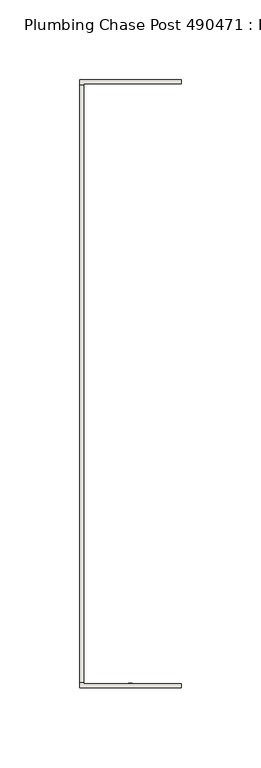
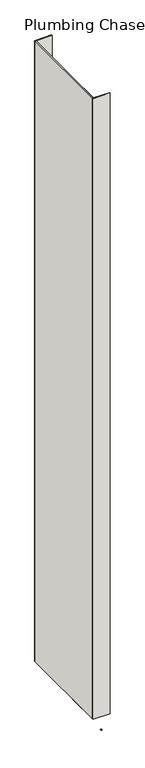
"""IFC4 building model written with IfcOpenShell, lengths in millimetres: wall geometry, Plumbing Chase Post 490471 : Plumbing Chase Post 490471."""

from ifc_helpers import new_model, si_unit, frame, origin, place, context, project, spatial, polyline, outline, extrude, source, transform, mapped, element, save


def plumbing_chase_post_490471_plumbing_chase_post_490471_0332611f(model_context):
    return source(origin(), model_context, "Body", "SweptSolid", [
        extrude(outline(polyline([(59186.482211, -45760.941371), (59186.482211, -45763.481371), (59183.942211, -45763.481371), (59183.942211, -45760.941371), (59186.482211, -45760.941371)])), frame((0.0, 0.0, 4419.6), z_axis=(0.0, 0.0, 1.0), x_axis=(1.0, 0.0, 0.0)), (0.0, 0.0, 1.0), 2.54),
        extrude(outline(polyline([(59153.1955618, -45760.7913078), (59153.1955618, -45385.1770222), (59155.8620538, -45385.1770222), (59155.8620538, -45760.7913078), (59153.1955618, -45760.7913078)])), frame((0.0, 0.0, 4474.8958), z_axis=(0.0, 0.0, 1.0), x_axis=(1.0, 0.0, 0.0)), (0.0, 0.0, 1.0), 2481.1482254),
        extrude(outline(polyline([(59153.1955618, -45760.7913078), (59153.1955618, -45385.1770222), (59155.8620538, -45385.1770222), (59155.8620538, -45760.7913078), (59153.1955618, -45760.7913078)])), frame((0.0, 0.0, 4474.8958), z_axis=(0.0, 0.0, 1.0), x_axis=(1.0, 0.0, 0.0)), (0.0, 0.0, 1.0), 2481.1482254),
        extrude(outline(polyline([(59153.1955618, -45764.2205618), (59153.1955618, -45630.8705618), (59155.8620538, -45630.8705618), (59155.8620538, -45761.5788602), (59217.2040444, -45761.5540444), (59217.2040444, -45764.2205618), (59153.1955618, -45764.2205618)])), frame((0.0, 0.0, 4474.8958), z_axis=(0.0, 0.0, 1.0), x_axis=(1.0, 0.0, 0.0)), (0.0, 0.0, 1.0), 2481.1482254),
        extrude(outline(polyline([(59153.1955618, -45764.2205618), (59153.1955618, -45630.8705618), (59155.8620538, -45630.8705618), (59155.8620538, -45761.5788602), (59217.2040444, -45761.5540444), (59217.2040444, -45764.2205618), (59153.1955618, -45764.2205618)])), frame((0.0, 0.0, 4474.8958), z_axis=(0.0, 0.0, 1.0), x_axis=(1.0, 0.0, 0.0)), (0.0, 0.0, 1.0), 2481.1482254),
        extrude(outline(polyline([(59155.8620538, -45515.0729778), (59153.1955618, -45515.0729778), (59153.1955618, -45381.7229778), (59217.2040444, -45381.7229778), (59217.2040444, -45384.3894698), (59155.8620538, -45384.3894698), (59155.8620538, -45515.0729778)])), frame((0.0, 0.0, 4474.8958), z_axis=(0.0, 0.0, 1.0), x_axis=(1.0, 0.0, 0.0)), (0.0, 0.0, 1.0), 2481.1482254),
        extrude(outline(polyline([(59155.8620538, -45515.0729778), (59153.1955618, -45515.0729778), (59153.1955618, -45381.7229778), (59217.2040444, -45381.7229778), (59217.2040444, -45384.3894698), (59155.8620538, -45384.3894698), (59155.8620538, -45515.0729778)])), frame((0.0, 0.0, 4474.8958), z_axis=(0.0, 0.0, 1.0), x_axis=(1.0, 0.0, 0.0)), (0.0, 0.0, 1.0), 2481.1482254),
    ])


if __name__ == "__main__":
    model = new_model("IFC4")
    model_context = context("Model", 3, world=origin())
    ifc_project = project(units=[si_unit("LENGTHUNIT", "METRE", prefix="MILLI")], contexts=[model_context])
    site = spatial("IfcSite", under=ifc_project)
    building = spatial("IfcBuilding", under=site)
    placement = place(None, origin())
    plumbing_chase_post_490471_plumbing_chase_post_490471_shape = plumbing_chase_post_490471_plumbing_chase_post_490471_0332611f(model_context)
    element("IfcWall", 1, ObjectType="Plumbing Chase Post 490471 : Plumbing Chase Post 490471", at=placement, inside=building, context=model_context, shape_type="MappedRepresentation", body=[
        mapped(plumbing_chase_post_490471_plumbing_chase_post_490471_shape, transform((0.0, 0.0, 0.0), x_axis=(1.0, 0.0, 0.0), y_axis=(0.0, 1.0, 0.0), z_axis=(0.0, 0.0, 1.0))),
    ])
    save(model, "model.ifc")
